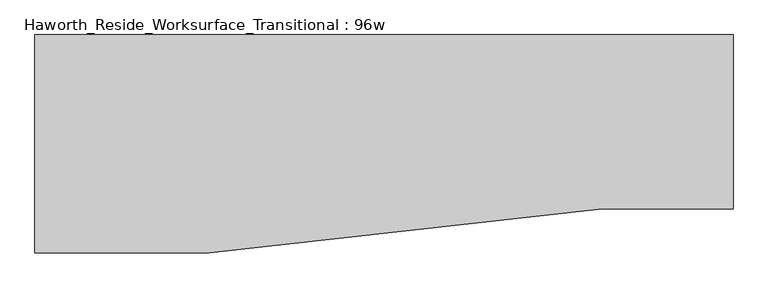
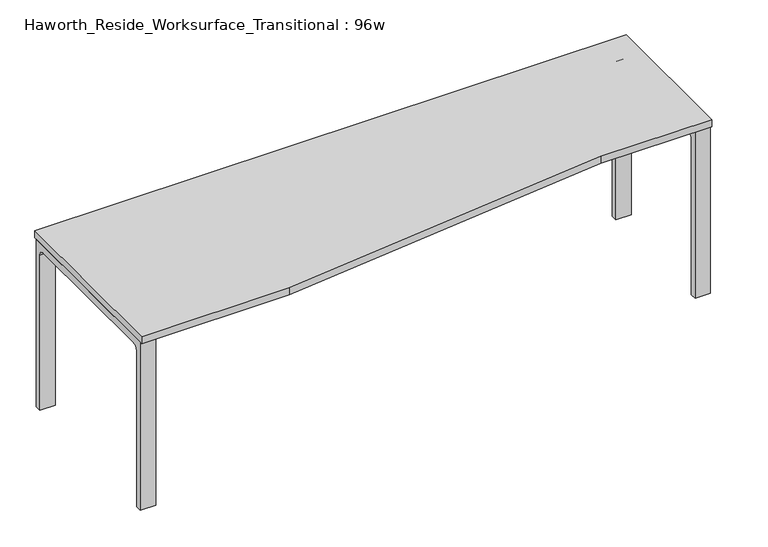
"""IFC4 building model written with IfcOpenShell, lengths in millimetres: furniture geometry, Haworth_Reside_Worksurface_Transitional : 96w."""

from ifc_helpers import new_model, si_unit, point, frame, frame_2d, origin, place, context, project, spatial, polyline, circle_curve, trimmed, segment, composite_curve, outline, extrude, source, transform, mapped, element, save


def haworth_reside_worksurface_transitional_96w_e8eae9a8(model_context):
    return source(origin(), model_context, "Body", "SweptSolid", [
        extrude(outline(composite_curve([segment(trimmed(circle_curve(frame_2d((396.875, 676.275)), 25.4), [point((422.275, 676.275))], [point((396.875, 701.675))], True, "CARTESIAN"), True, "CONTINUOUS"), segment(polyline([(396.875, 701.675), (-92.075, 701.675)]), True, "CONTINUOUS"), segment(trimmed(circle_curve(frame_2d((-92.075, 676.275)), 25.4), [point((-92.075, 701.675))], [point((-117.475, 676.275))], True, "CARTESIAN"), True, "CONTINUOUS"), segment(polyline([(-117.475, 676.275), (-117.475, 0.0), (-142.875, 0.0), (-142.875, 731.8375), (447.675, 731.8375), (447.675, 0.0), (422.275, 0.0), (422.275, 676.275)]), True, "CONTINUOUS")], self_intersect=False)), frame((1155.7, 0.0, 0.0), z_axis=(1.0, 0.0, 0.0), x_axis=(0.0, 1.0, 0.0)), (0.0, 0.0, 1.0), 63.5),
        extrude(outline(composite_curve([segment(trimmed(circle_curve(frame_2d((396.875, 676.275)), 25.4), [point((422.275, 676.275))], [point((396.875, 701.675))], True, "CARTESIAN"), True, "CONTINUOUS"), segment(polyline([(396.875, 701.675), (-244.475, 701.675)]), True, "CONTINUOUS"), segment(trimmed(circle_curve(frame_2d((-244.475, 676.275)), 25.4), [point((-244.475, 701.675))], [point((-269.875, 676.275))], True, "CARTESIAN"), True, "CONTINUOUS"), segment(polyline([(-269.875, 676.275), (-269.875, 0.0), (-295.275, 0.0), (-295.275, 731.8375), (447.675, 731.8375), (447.675, 0.0), (422.275, 0.0), (422.275, 676.275)]), True, "CONTINUOUS")], self_intersect=False)), frame((-1219.2, 0.0, 0.0), z_axis=(1.0, 0.0, 0.0), x_axis=(0.0, 1.0, 0.0)), (0.0, 0.0, 1.0), 63.5),
        extrude(outline(polyline([(-1219.2, 457.2), (1219.2, 457.2), (1219.2, -152.4), (762.0, -152.4), (-609.6, -304.8), (-1219.2, -304.8), (-1219.2, 457.2)])), frame((0.0, 0.0, 731.8375), z_axis=(0.0, 0.0, 1.0), x_axis=(1.0, 0.0, 0.0)), (0.0, 0.0, 1.0), 30.1625),
    ])


if __name__ == "__main__":
    model = new_model("IFC4")
    model_context = context("Model", 3, world=origin())
    ifc_project = project(units=[si_unit("LENGTHUNIT", "METRE", prefix="MILLI")], contexts=[model_context])
    site = spatial("IfcSite", under=ifc_project)
    building = spatial("IfcBuilding", under=site)
    placement = place(None, origin())
    haworth_reside_worksurface_transitional_96w_shape = haworth_reside_worksurface_transitional_96w_e8eae9a8(model_context)
    element("IfcFurniture", 1, ObjectType="Haworth_Reside_Worksurface_Transitional : 96w", at=placement, inside=building, context=model_context, shape_type="MappedRepresentation", body=[
        mapped(haworth_reside_worksurface_transitional_96w_shape, transform((0.0, 0.0, 0.0), x_axis=(1.0, 0.0, 0.0), y_axis=(0.0, 1.0, 0.0), z_axis=(0.0, 0.0, 1.0))),
    ])
    save(model, "model.ifc")
